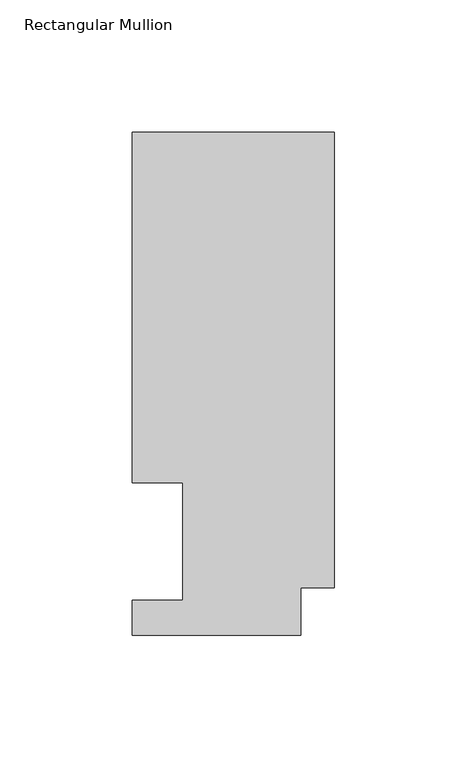
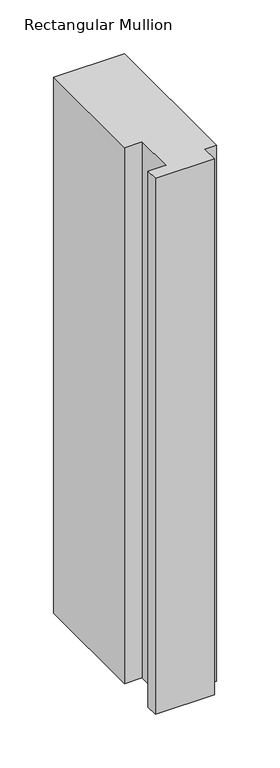
"""IFC4 building model written with IfcOpenShell, lengths in millimetres: member geometry, Rectangular Mullion."""

from ifc_helpers import new_model, si_unit, frame, origin, place, context, project, spatial, polyline, outline, extrude, source, transform, mapped, element, save


def rectangular_mullion_c007ba95(model_context):
    return source(origin(), model_context, "Body", "SweptSolid", [
        extrude(outline(polyline([(0.0, 189.8022937), (0.0, 17.9712937), (-12.7, 17.9712937), (-12.7, 0.0134937), (-76.2, 0.0134937), (-76.2, 13.1960937), (-57.1627, 13.1960937), (-57.1627, 57.6460937), (-76.2, 57.6460937), (-76.2, 189.8022937), (0.0, 189.8022937)])), frame((0.0, 0.0, -609.6), z_axis=(0.0, 0.0, 1.0), x_axis=(1.0, 0.0, 0.0)), (0.0, 0.0, 1.0), 609.6),
    ])


if __name__ == "__main__":
    model = new_model("IFC4")
    model_context = context("Model", 3, world=origin())
    ifc_project = project(units=[si_unit("LENGTHUNIT", "METRE", prefix="MILLI")], contexts=[model_context])
    site = spatial("IfcSite", under=ifc_project)
    building = spatial("IfcBuilding", under=site)
    placement = place(None, origin())
    rectangular_mullion_shape = rectangular_mullion_c007ba95(model_context)
    element("IfcMember", 1, ObjectType="Rectangular Mullion", at=placement, inside=building, context=model_context, shape_type="MappedRepresentation", body=[
        mapped(rectangular_mullion_shape, transform((0.0, 0.0, 0.0), x_axis=(1.0, 0.0, 0.0), y_axis=(0.0, 1.0, 0.0), z_axis=(0.0, 0.0, 1.0))),
    ])
    save(model, "model.ifc")
